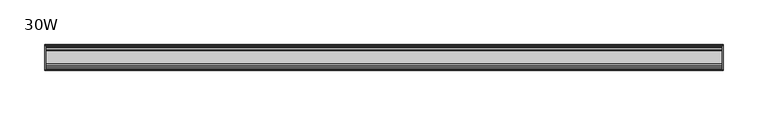
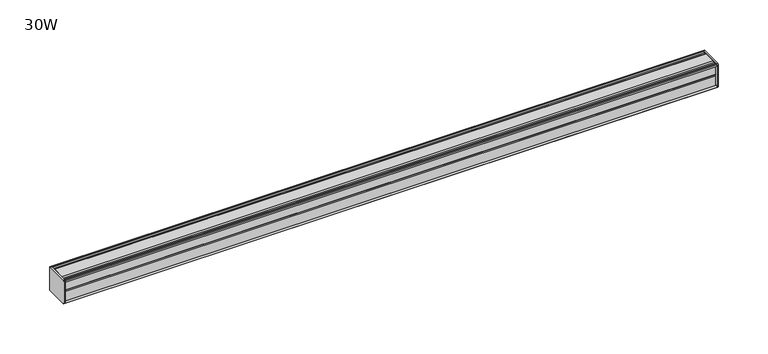
"""IFC4 building model written with IfcOpenShell, lengths in millimetres: furniture geometry, 30W."""

from ifc_helpers import new_model, si_unit, frame, origin, place, context, project, spatial, circle_curve, source, transform, mapped, element, save
from ifc_brep_helpers import plane_surface, cylinder_surface, advanced_brep


def furniture_30w_9a12c229(model_context):
    return source(origin(), model_context, "Body", "AdvancedBrep", [
        advanced_brep(
        [(379.4125, 14.5851562, 1196.1436262), (379.4125, 14.5851562, 1169.9932877), (379.4125, 14.4138595, 1169.1873997), (379.4125, 13.8374434, 1168.6109837), (379.4125, 12.9019306, 1168.3603131), (379.4125, -13.4067434, 1168.3603131), (379.4125, -14.3040014, 1169.2575711), (379.4125, -14.5851563, 1170.0259798), (379.4125, -14.5851563, 1195.9443327), (379.4125, -14.3040014, 1196.7127414), (379.4125, -13.4464303, 1197.5703125), (379.4125, 13.0500437, 1197.5703125), (379.4125, 13.8374434, 1197.3593288), (379.4125, 14.4138595, 1196.7829128), (381.0, 14.6248431, 1195.9955131), (381.0, 14.4138595, 1196.7829128), (381.0, 13.8374434, 1197.3593288), (381.0, 13.0500437, 1197.5703125), (381.0, -13.4464303, 1197.5703125), (381.0, -14.3040014, 1196.7127414), (381.0, -14.5851563, 1195.9443327), (381.0, -14.5851563, 1170.0259798), (381.0, -14.3040014, 1169.2575711), (381.0, -13.4067434, 1168.3603131), (381.0, 12.9019306, 1168.3603131), (381.0, 13.8374434, 1168.6109837), (381.0, 14.4138595, 1169.1873997), (381.0, 14.5851562, 1169.9932877)],
        [
            (0, 1),
            (1, 2),
            (2, 3),
            (3, 4),
            (4, 5),
            (5, 6),
            (6, 7, circle_curve(frame((379.4125, -13.3945313, 1170.0259798), z_axis=(-1.0, 0.0, 0.0), x_axis=(0.0, 1.0, 0.0)), 1.190625)),
            (7, 8),
            (8, 9, circle_curve(frame((379.4125, -13.3945313, 1195.9443327), z_axis=(-1.0, 0.0, 0.0), x_axis=(0.0, 1.0, 0.0)), 1.190625)),
            (9, 10),
            (10, 11),
            (11, 12),
            (12, 13),
            (13, 0),
            (14, 15),
            (15, 16),
            (16, 17),
            (17, 18),
            (18, 19),
            (19, 20, circle_curve(frame((381.0, -13.3945313, 1195.9443327), z_axis=(1.0, 0.0, 0.0), x_axis=(0.0, 1.0, 0.0)), 1.190625)),
            (20, 21),
            (21, 22, circle_curve(frame((381.0, -13.3945313, 1170.0259798), z_axis=(1.0, 0.0, 0.0), x_axis=(0.0, 1.0, 0.0)), 1.190625)),
            (22, 23),
            (23, 24),
            (24, 25),
            (25, 26),
            (26, 27),
            (27, 14),
            (13, 15),
            (14, 0),
            (12, 16),
            (11, 17),
            (10, 18),
            (9, 19),
            (8, 20),
            (7, 21),
            (6, 22),
            (5, 23),
            (4, 24),
            (3, 25),
            (2, 26),
            (1, 27),
        ],
        [
            plane_surface(frame((379.4125, 14.5851562, 1169.9932877), z_axis=(-1.0, 0.0, 0.0), x_axis=(0.0, 0.0, -1.0))),
            plane_surface(frame((381.0, 14.5851562, 1169.9932877), z_axis=(1.0, 0.0, 0.0), x_axis=(0.0, 0.0, 1.0))),
            plane_surface(frame((379.4125, 14.4138595, 1196.7829128), z_axis=(0.0, 0.9659256560349851, 0.25881968049857335), x_axis=(1.0, 0.0, 0.0))),
            plane_surface(frame((379.4125, 13.8374434, 1197.3593288), z_axis=(0.0, 0.7071067811866345, 0.7071067811864606), x_axis=(1.0, 0.0, 0.0))),
            plane_surface(frame((379.4125, 13.0500437, 1197.5703125), z_axis=(0.0, 0.2588196804711877, 0.9659256560423232), x_axis=(1.0, 0.0, 0.0))),
            plane_surface(frame((379.4125, -13.4464303, 1197.5703125), z_axis=(0.0, 0.0, 1.0), x_axis=(1.0, 0.0, 0.0))),
            plane_surface(frame((379.4125, -14.3040014, 1196.7127414), z_axis=(0.0, -0.70710678117674, 0.7071067811963553), x_axis=(1.0, 0.0, 0.0))),
            cylinder_surface(frame((381.0, -13.3945313, 1195.9443327), z_axis=(-1.0, 0.0, 0.0), x_axis=(0.0, 1.0, 0.0)), 1.190625),
            plane_surface(frame((379.4125, -14.5851563, 1170.0259798), z_axis=(0.0, -1.0, 0.0), x_axis=(1.0, 0.0, 0.0))),
            cylinder_surface(frame((381.0, -13.3945313, 1170.0259798), z_axis=(-1.0, 0.0, 0.0), x_axis=(0.0, 1.0, 0.0)), 1.190625),
            plane_surface(frame((379.4125, -13.4067434, 1168.3603131), z_axis=(0.0, -0.7071067811917087, -0.7071067811813864), x_axis=(1.0, 0.0, 0.0))),
            plane_surface(frame((379.4125, 12.9019306, 1168.3603131), z_axis=(0.0, 0.0, -1.0), x_axis=(1.0, 0.0, 0.0))),
            plane_surface(frame((379.4125, 13.8374434, 1168.6109837), z_axis=(0.0, 0.2588196804985645, -0.9659256560349875), x_axis=(1.0, 0.0, 0.0))),
            plane_surface(frame((379.4125, 14.4138595, 1169.1873997), z_axis=(0.0, 0.7071067811865204, -0.7071067811865748), x_axis=(1.0, 0.0, 0.0))),
            plane_surface(frame((379.4125, 14.5851562, 1169.9932877), z_axis=(0.0, 0.9781476007310527, -0.207911690830711), x_axis=(1.0, 0.0, 0.0))),
            plane_surface(frame((379.4125, 14.5851562, 1196.1436262), z_axis=(0.0, 1.0, 0.0), x_axis=(1.0, 0.0, 0.0))),
        ],
        [
            (0, [[1, 2, 3, 4, 5, 6, 7, 8, 9, 10, 11, 12, 13, 14]]),
            (1, [[15, 16, 17, 18, 19, 20, 21, 22, 23, 24, 25, 26, 27, 28]]),
            (2, [[-14, 29, -15, 30]]),
            (3, [[-13, 31, -16, -29]]),
            (4, [[-12, 32, -17, -31]]),
            (5, [[-11, 33, -18, -32]]),
            (6, [[-10, 34, -19, -33]]),
            (7, [[-9, 35, -20, -34]]),
            (8, [[-8, 36, -21, -35]]),
            (9, [[-7, 37, -22, -36]]),
            (10, [[-6, 38, -23, -37]]),
            (11, [[-5, 39, -24, -38]]),
            (12, [[-4, 40, -25, -39]]),
            (13, [[-3, 41, -26, -40]]),
            (14, [[-2, 42, -27, -41]]),
            (15, [[-1, -30, -28, -42]]),
        ],
    ),
        advanced_brep(
        [(-379.4125, 14.6248431, 1195.9955131), (-379.4125, 14.4138595, 1196.7829128), (-379.4125, 13.8374434, 1197.3593288), (-379.4125, 13.0500437, 1197.5703125), (-379.4125, -13.4464303, 1197.5703125), (-379.4125, -14.3040014, 1196.7127414), (-379.4125, -14.5851563, 1195.9443327), (-379.4125, -14.5851563, 1170.0259798), (-379.4125, -14.3040014, 1169.2575711), (-379.4125, -13.4067434, 1168.3603131), (-379.4125, 12.9019306, 1168.3603131), (-379.4125, 13.8374434, 1168.6109837), (-379.4125, 14.4138595, 1169.1873997), (-379.4125, 14.5851562, 1169.9932877), (-381.0, 14.5851562, 1196.1436262), (-381.0, 14.5851562, 1169.9932877), (-381.0, 14.4138595, 1169.1873997), (-381.0, 13.8374434, 1168.6109837), (-381.0, 12.9019306, 1168.3603131), (-381.0, -13.4067434, 1168.3603131), (-381.0, -14.3040014, 1169.2575711), (-381.0, -14.5851563, 1170.0259798), (-381.0, -14.5851563, 1195.9443327), (-381.0, -14.3040014, 1196.7127414), (-381.0, -13.4464303, 1197.5703125), (-381.0, 13.0500437, 1197.5703125), (-381.0, 13.8374434, 1197.3593288), (-381.0, 14.4138595, 1196.7829128)],
        [
            (0, 1),
            (1, 2),
            (2, 3),
            (3, 4),
            (4, 5),
            (5, 6, circle_curve(frame((-379.4125, -13.3945313, 1195.9443327), z_axis=(1.0, 0.0, 0.0), x_axis=(0.0, 1.0, 0.0)), 1.190625)),
            (6, 7),
            (7, 8, circle_curve(frame((-379.4125, -13.3945313, 1170.0259798), z_axis=(1.0, 0.0, 0.0), x_axis=(0.0, 1.0, 0.0)), 1.190625)),
            (8, 9),
            (9, 10),
            (10, 11),
            (11, 12),
            (12, 13),
            (13, 0),
            (14, 15),
            (15, 16),
            (16, 17),
            (17, 18),
            (18, 19),
            (19, 20),
            (20, 21, circle_curve(frame((-381.0, -13.3945313, 1170.0259798), z_axis=(-1.0, 0.0, 0.0), x_axis=(0.0, 1.0, 0.0)), 1.190625)),
            (21, 22),
            (22, 23, circle_curve(frame((-381.0, -13.3945313, 1195.9443327), z_axis=(-1.0, 0.0, 0.0), x_axis=(0.0, 1.0, 0.0)), 1.190625)),
            (23, 24),
            (24, 25),
            (25, 26),
            (26, 27),
            (27, 14),
            (0, 14),
            (27, 1),
            (26, 2),
            (25, 3),
            (24, 4),
            (23, 5),
            (22, 6),
            (21, 7),
            (20, 8),
            (19, 9),
            (18, 10),
            (17, 11),
            (16, 12),
            (15, 13),
        ],
        [
            plane_surface(frame((-379.4125, 14.6248431, 1195.9955131), z_axis=(1.0000000000000002, 0.0, 0.0), x_axis=(0.0, -0.25881968043900594, 0.9659256560509463))),
            plane_surface(frame((-381.0, 14.6248431, 1195.9955131), z_axis=(-1.0000000000000002, 0.0, 0.0), x_axis=(0.0, 0.25881968043900594, -0.9659256560509463))),
            plane_surface(frame((-379.4125, 14.6248431, 1195.9955131), z_axis=(0.0, 0.9659256560509463, 0.25881968043900594), x_axis=(-1.0, 0.0, 0.0))),
            plane_surface(frame((-379.4125, 14.4138595, 1196.7829128), z_axis=(0.0, 0.7071067810675442, 0.7071067813055509), x_axis=(-1.0, 0.0, 0.0))),
            plane_surface(frame((-379.4125, 13.8374434, 1197.3593288), z_axis=(0.0, 0.2588196804841774, 0.9659256560388426), x_axis=(-1.0, 0.0, 0.0))),
            plane_surface(frame((-379.4125, 13.0500437, 1197.5703125), z_axis=(0.0, 0.0, 1.0), x_axis=(-1.0, 0.0, 0.0))),
            plane_surface(frame((-379.4125, -13.4464303, 1197.5703125), z_axis=(0.0, -0.7071067811883018, 0.7071067811847932), x_axis=(-1.0, 0.0, 0.0))),
            cylinder_surface(frame((-381.0, -13.3945313, 1195.9443327), z_axis=(1.0, 0.0, 0.0), x_axis=(0.0, 1.0, 0.0)), 1.190625),
            plane_surface(frame((-379.4125, -14.5851563, 1195.9443327), z_axis=(0.0, -1.0, 0.0), x_axis=(-1.0, 0.0, 0.0))),
            cylinder_surface(frame((-381.0, -13.3945313, 1170.0259798), z_axis=(1.0, 0.0, 0.0), x_axis=(0.0, 1.0, 0.0)), 1.190625),
            plane_surface(frame((-379.4125, -14.3040014, 1169.2575711), z_axis=(0.0, -0.7071067811864808, -0.7071067811866142), x_axis=(-1.0, 0.0, 0.0))),
            plane_surface(frame((-379.4125, -13.4067434, 1168.3603131), z_axis=(0.0, 0.0, -1.0), x_axis=(-1.0, 0.0, 0.0))),
            plane_surface(frame((-379.4125, 12.9019306, 1168.3603131), z_axis=(0.0, 0.25881968049856513, -0.9659256560349874), x_axis=(-1.0, 0.0, 0.0))),
            plane_surface(frame((-379.4125, 13.8374434, 1168.6109837), z_axis=(0.0, 0.707106781186519, -0.7071067811865761), x_axis=(-1.0, 0.0, 0.0))),
            plane_surface(frame((-379.4125, 14.4138595, 1169.1873997), z_axis=(0.0, 0.9781476007314348, -0.20791169082891317), x_axis=(-1.0, 0.0, 0.0))),
            plane_surface(frame((-379.4125, 14.5851562, 1169.9932877), z_axis=(0.0, 1.0, 0.0), x_axis=(-1.0, 0.0, 0.0))),
        ],
        [
            (0, [[1, 2, 3, 4, 5, 6, 7, 8, 9, 10, 11, 12, 13, 14]]),
            (1, [[15, 16, 17, 18, 19, 20, 21, 22, 23, 24, 25, 26, 27, 28]]),
            (2, [[-1, 29, -28, 30]]),
            (3, [[-2, -30, -27, 31]]),
            (4, [[-3, -31, -26, 32]]),
            (5, [[-4, -32, -25, 33]]),
            (6, [[-5, -33, -24, 34]]),
            (7, [[-6, -34, -23, 35]]),
            (8, [[-7, -35, -22, 36]]),
            (9, [[-8, -36, -21, 37]]),
            (10, [[-9, -37, -20, 38]]),
            (11, [[-10, -38, -19, 39]]),
            (12, [[-11, -39, -18, 40]]),
            (13, [[-12, -40, -17, 41]]),
            (14, [[-13, -41, -16, 42]]),
            (15, [[-14, -42, -15, -29]]),
        ],
    ),
        advanced_brep(
        [(379.4125, -7.3748315, 1197.5703125), (379.4125, -8.9105708, 1196.5395796), (379.4125, -10.7601399, 1196.5395796), (379.4125, -12.2958792, 1197.5703125), (379.4125, -13.4464303, 1197.5703125), (379.4125, -14.3040014, 1196.7127414), (379.4125, -13.3945313, 1194.7537077), (379.4125, -13.3945313, 1195.665312), (379.4125, -12.2039063, 1195.665312), (379.4125, -12.2039063, 1183.7590632), (379.4125, -11.4101564, 1182.9653134), (379.4125, -12.2039063, 1182.1715636), (379.4125, -12.2039063, 1170.2653131), (379.4125, -13.3945313, 1170.2653131), (379.4125, -13.3945313, 1171.2166048), (379.4125, -14.3040014, 1169.2575711), (379.4125, -13.4067434, 1168.3603131), (379.4125, -12.2958792, 1168.3603131), (379.4125, -10.7601399, 1169.3910471), (379.4125, -8.9105708, 1169.3910471), (379.4125, -7.4339628, 1168.4), (379.4125, 7.4145184, 1168.4), (379.4125, 8.9502576, 1169.4307329), (379.4125, 10.7998291, 1169.4307329), (379.4125, 12.2275037, 1168.4), (379.4125, 13.0500437, 1168.4), (379.4125, 13.8374434, 1168.6109837), (379.4125, 14.4138595, 1169.1873997), (379.4125, 14.5851562, 1169.9932877), (379.4125, 14.5851562, 1196.1436262), (379.4125, 14.4138595, 1196.7829128), (379.4125, 13.8374434, 1197.3593288), (379.4125, 13.0500437, 1197.5703125), (379.4125, 12.2275037, 1197.5703125), (379.4125, 10.7998291, 1196.5395796), (379.4125, 8.9502576, 1196.5395796), (379.4125, 7.4145184, 1197.5703125), (-379.4125, -7.3748315, 1197.5703125), (-379.4125, 7.4145184, 1197.5703125), (-379.4125, 8.9502576, 1196.5395796), (-379.4125, 10.7998291, 1196.5395796), (-379.4125, 12.2275037, 1197.5703125), (-379.4125, 13.0500437, 1197.5703125), (-379.4125, 13.8374434, 1197.3593288), (-379.4125, 14.4138595, 1196.7829128), (-379.4125, 14.6248431, 1195.9955131), (-379.4125, 14.5851562, 1169.9932877), (-379.4125, 14.4138595, 1169.1873997), (-379.4125, 13.8374434, 1168.6109837), (-379.4125, 13.0500437, 1168.4), (-379.4125, 12.2275037, 1168.4), (-379.4125, 10.7998291, 1169.4307329), (-379.4125, 8.9502576, 1169.4307329), (-379.4125, 7.4145184, 1168.4), (-379.4125, -7.4339628, 1168.4), (-379.4125, -8.9105708, 1169.3910471), (-379.4125, -10.7601399, 1169.3910471), (-379.4125, -12.2958792, 1168.3603131), (-379.4125, -13.4067434, 1168.3603131), (-379.4125, -14.3040014, 1169.2575711), (-379.4125, -13.3945313, 1171.2166048), (-379.4125, -13.3945313, 1170.2653131), (-379.4125, -12.2039063, 1170.2653131), (-379.4125, -12.2039063, 1182.1715636), (-379.4125, -11.4101564, 1182.9653134), (-379.4125, -12.2039063, 1183.7590632), (-379.4125, -12.2039063, 1195.665312), (-379.4125, -13.3945313, 1195.665312), (-379.4125, -13.3945313, 1194.7537077), (-379.4125, -14.3040014, 1196.7127414), (-379.4125, -13.4464303, 1197.5703125), (-379.4125, -12.2958792, 1197.5703125), (-379.4125, -10.7601399, 1196.5395796), (-379.4125, -8.9105708, 1196.5395796)],
        [
            (0, 1),
            (1, 2),
            (2, 3),
            (3, 4),
            (4, 5),
            (5, 6, circle_curve(frame((379.4125, -13.3945313, 1195.9443327), z_axis=(1.0, 0.0, 0.0), x_axis=(0.0, 1.0, 0.0)), 1.190625)),
            (6, 7),
            (7, 8),
            (8, 9),
            (9, 10),
            (10, 11),
            (11, 12),
            (12, 13),
            (13, 14),
            (14, 15, circle_curve(frame((379.4125, -13.3945313, 1170.0259798), z_axis=(1.0, 0.0, 0.0), x_axis=(0.0, 1.0, 0.0)), 1.190625)),
            (15, 16),
            (16, 17),
            (17, 18),
            (18, 19),
            (19, 20),
            (20, 21),
            (21, 22),
            (22, 23),
            (23, 24),
            (24, 25),
            (25, 26),
            (26, 27),
            (27, 28),
            (28, 29),
            (29, 30),
            (30, 31),
            (31, 32),
            (32, 33),
            (33, 34),
            (34, 35),
            (35, 36),
            (36, 0),
            (37, 38),
            (38, 39),
            (39, 40),
            (40, 41),
            (41, 42),
            (42, 43),
            (43, 44),
            (44, 45),
            (45, 46),
            (46, 47),
            (47, 48),
            (48, 49),
            (49, 50),
            (50, 51),
            (51, 52),
            (52, 53),
            (53, 54),
            (54, 55),
            (55, 56),
            (56, 57),
            (57, 58),
            (58, 59),
            (59, 60, circle_curve(frame((-379.4125, -13.3945313, 1170.0259798), z_axis=(-1.0, 0.0, 0.0), x_axis=(0.0, 1.0, 0.0)), 1.190625)),
            (60, 61),
            (61, 62),
            (62, 63),
            (63, 64),
            (64, 65),
            (65, 66),
            (66, 67),
            (67, 68),
            (68, 69, circle_curve(frame((-379.4125, -13.3945313, 1195.9443327), z_axis=(-1.0, 0.0, 0.0), x_axis=(0.0, 1.0, 0.0)), 1.190625)),
            (69, 70),
            (70, 71),
            (71, 72),
            (72, 73),
            (73, 37),
            (0, 37),
            (73, 1),
            (72, 2),
            (71, 3),
            (70, 4),
            (69, 5),
            (68, 6),
            (67, 7),
            (66, 8),
            (65, 9),
            (64, 10),
            (63, 11),
            (62, 12),
            (61, 13),
            (60, 14),
            (59, 15),
            (58, 16),
            (57, 17),
            (56, 18),
            (55, 19),
            (54, 20),
            (53, 21),
            (52, 22),
            (51, 23),
            (50, 24),
            (49, 25),
            (48, 26),
            (47, 27),
            (46, 28),
            (45, 29),
            (44, 30),
            (43, 31),
            (42, 32),
            (41, 33),
            (40, 34),
            (39, 35),
            (38, 36),
        ],
        [
            plane_surface(frame((379.4125, -7.3748315, 1197.5703125), z_axis=(1.0, 0.0, 0.0), x_axis=(0.0, -0.8303227972603312, -0.5572827400429506))),
            plane_surface(frame((-379.4125, -7.3748315, 1197.5703125), z_axis=(-1.0, 0.0, 0.0), x_axis=(0.0, 0.8303227972603312, 0.5572827400429506))),
            plane_surface(frame((379.4125, -7.3748315, 1197.5703125), z_axis=(0.0, -0.5572827400429506, 0.8303227972603312), x_axis=(-1.0, 0.0, 0.0))),
            plane_surface(frame((379.4125, -8.9105708, 1196.5395796), z_axis=(0.0, 0.0, 1.0), x_axis=(-1.0, 0.0, 0.0))),
            plane_surface(frame((379.4125, -10.7601399, 1196.5395796), z_axis=(0.0, 0.557282740042951, 0.8303227972603311), x_axis=(-1.0, 0.0, 0.0))),
            plane_surface(frame((379.4125, -12.2958792, 1197.5703125), z_axis=(0.0, 0.0, 1.0), x_axis=(-1.0, 0.0, 0.0))),
            plane_surface(frame((379.4125, -13.4464303, 1197.5703125), z_axis=(0.0, -0.7071067811813211, 0.707106781191774), x_axis=(-1.0, 0.0, 0.0))),
            cylinder_surface(frame((-379.4125, -13.3945313, 1195.9443327), z_axis=(1.0, 0.0, 0.0), x_axis=(0.0, 1.0, 0.0)), 1.190625),
            plane_surface(frame((379.4125, -13.3945313, 1194.7537077), z_axis=(0.0, 1.0, 0.0), x_axis=(-1.0, 0.0, 0.0))),
            plane_surface(frame((379.4125, -13.3945313, 1195.665312), z_axis=(0.0, 0.0, -1.0), x_axis=(-1.0, 0.0, 0.0))),
            plane_surface(frame((379.4125, -12.2039063, 1195.665312), z_axis=(0.0, -1.0, 0.0), x_axis=(-1.0, 0.0, 0.0))),
            plane_surface(frame((379.4125, -12.2039063, 1183.7590632), z_axis=(0.0, -0.7071067811865146, -0.7071067811865805), x_axis=(-1.0, 0.0, 0.0))),
            plane_surface(frame((379.4125, -11.4101564, 1182.9653134), z_axis=(0.0, -0.7071067811865522, 0.7071067811865428), x_axis=(-1.0, 0.0, 0.0))),
            plane_surface(frame((379.4125, -12.2039063, 1182.1715636), z_axis=(0.0, -1.0, 0.0), x_axis=(-1.0, 0.0, 0.0))),
            plane_surface(frame((379.4125, -12.2039063, 1170.2653131), z_axis=(0.0, 0.0, 1.0), x_axis=(-1.0, 0.0, 0.0))),
            plane_surface(frame((379.4125, -13.3945313, 1170.2653131), z_axis=(0.0, 1.0, 0.0), x_axis=(-1.0, 0.0, 0.0))),
            cylinder_surface(frame((-379.4125, -13.3945313, 1170.0259798), z_axis=(1.0, 0.0, 0.0), x_axis=(0.0, 1.0, 0.0)), 1.190625),
            plane_surface(frame((379.4125, -14.3040014, 1169.2575711), z_axis=(0.0, -0.7071067811865901, -0.707106781186505), x_axis=(-1.0, 0.0, 0.0))),
            plane_surface(frame((379.4125, -13.4067434, 1168.3603131), z_axis=(0.0, 0.0, -1.0), x_axis=(-1.0, 0.0, 0.0))),
            plane_surface(frame((379.4125, -12.2958792, 1168.3603131), z_axis=(0.0, 0.5572831632988446, -0.8303225131860712), x_axis=(-1.0, 0.0, 0.0))),
            plane_surface(frame((379.4125, -10.7601399, 1169.3910471), z_axis=(0.0, 0.0, -1.0), x_axis=(-1.0, 0.0, 0.0))),
            plane_surface(frame((379.4125, -8.9105708, 1169.3910471), z_axis=(0.0, -0.5572831633036728, -0.8303225131828307), x_axis=(-1.0, 0.0, 0.0))),
            plane_surface(frame((379.4125, -7.4339628, 1168.4), z_axis=(0.0, 0.0, -1.0), x_axis=(-1.0, 0.0, 0.0))),
            plane_surface(frame((379.4125, 7.4145184, 1168.4), z_axis=(0.0, 0.5572827400522353, -0.8303227972540997), x_axis=(-1.0, 0.0, 0.0))),
            plane_surface(frame((379.4125, 8.9502576, 1169.4307329), z_axis=(0.0, 0.0, -1.0), x_axis=(-1.0, 0.0, 0.0))),
            plane_surface(frame((379.4125, 10.7998291, 1169.4307329), z_axis=(0.0, -0.5853541342124147, -0.8107777362264177), x_axis=(-1.0, 0.0, 0.0))),
            plane_surface(frame((379.4125, 12.2275037, 1168.4), z_axis=(0.0, 0.0, -1.0), x_axis=(-1.0, 0.0, 0.0))),
            plane_surface(frame((379.4125, 13.0500437, 1168.4), z_axis=(0.0, 0.2588196804985639, -0.9659256560349877), x_axis=(-1.0, 0.0, 0.0))),
            plane_surface(frame((379.4125, 13.8374434, 1168.6109837), z_axis=(0.0, 0.7071067811865592, -0.7071067811865358), x_axis=(-1.0, 0.0, 0.0))),
            plane_surface(frame((379.4125, 14.4138595, 1169.1873997), z_axis=(0.0, 0.9781476007314349, -0.20791169082891267), x_axis=(-1.0, 0.0, 0.0))),
            plane_surface(frame((379.4125, 14.5851562, 1169.9932877), z_axis=(0.0, 1.0, 0.0), x_axis=(-1.0, 0.0, 0.0))),
            plane_surface(frame((379.4125, 14.6248431, 1195.9955131), z_axis=(0.0, 0.9659256560510352, 0.2588196804386741), x_axis=(-1.0, 0.0, 0.0))),
            plane_surface(frame((379.4125, 14.4138595, 1196.7829128), z_axis=(0.0, 0.7071067810667437, 0.7071067813063513), x_axis=(-1.0, 0.0, 0.0))),
            plane_surface(frame((379.4125, 13.8374434, 1197.3593288), z_axis=(0.0, 0.2588196804843108, 0.9659256560388069), x_axis=(-1.0, 0.0, 0.0))),
            plane_surface(frame((379.4125, 13.0500437, 1197.5703125), z_axis=(0.0, 0.0, 1.0), x_axis=(-1.0, 0.0, 0.0))),
            plane_surface(frame((379.4125, 12.2275037, 1197.5703125), z_axis=(0.0, -0.5853541342077658, 0.810777736229774), x_axis=(-1.0, 0.0, 0.0))),
            plane_surface(frame((379.4125, 10.7998291, 1196.5395796), z_axis=(0.0, 0.0, 1.0), x_axis=(-1.0, 0.0, 0.0))),
            plane_surface(frame((379.4125, 8.9502576, 1196.5395796), z_axis=(0.0, 0.557282740042951, 0.8303227972603311), x_axis=(-1.0, 0.0, 0.0))),
            plane_surface(frame((379.4125, 7.4145184, 1197.5703125), z_axis=(0.0, 0.0, 1.0), x_axis=(-1.0, 0.0, 0.0))),
        ],
        [
            (0, [[1, 2, 3, 4, 5, 6, 7, 8, 9, 10, 11, 12, 13, 14, 15, 16, 17, 18, 19, 20, 21, 22, 23, 24, 25, 26, 27, 28, 29, 30, 31, 32, 33, 34, 35, 36, 37]]),
            (1, [[38, 39, 40, 41, 42, 43, 44, 45, 46, 47, 48, 49, 50, 51, 52, 53, 54, 55, 56, 57, 58, 59, 60, 61, 62, 63, 64, 65, 66, 67, 68, 69, 70, 71, 72, 73, 74]]),
            (2, [[-1, 75, -74, 76]]),
            (3, [[-2, -76, -73, 77]]),
            (4, [[-3, -77, -72, 78]]),
            (5, [[-4, -78, -71, 79]]),
            (6, [[-5, -79, -70, 80]]),
            (7, [[-6, -80, -69, 81]]),
            (8, [[-7, -81, -68, 82]]),
            (9, [[-8, -82, -67, 83]]),
            (10, [[-9, -83, -66, 84]]),
            (11, [[-10, -84, -65, 85]]),
            (12, [[-11, -85, -64, 86]]),
            (13, [[-12, -86, -63, 87]]),
            (14, [[-13, -87, -62, 88]]),
            (15, [[-14, -88, -61, 89]]),
            (16, [[-15, -89, -60, 90]]),
            (17, [[-16, -90, -59, 91]]),
            (18, [[-17, -91, -58, 92]]),
            (19, [[-18, -92, -57, 93]]),
            (20, [[-19, -93, -56, 94]]),
            (21, [[-20, -94, -55, 95]]),
            (22, [[-21, -95, -54, 96]]),
            (23, [[-22, -96, -53, 97]]),
            (24, [[-23, -97, -52, 98]]),
            (25, [[-24, -98, -51, 99]]),
            (26, [[-25, -99, -50, 100]]),
            (27, [[-26, -100, -49, 101]]),
            (28, [[-27, -101, -48, 102]]),
            (29, [[-28, -102, -47, 103]]),
            (30, [[-29, -103, -46, 104]]),
            (31, [[-30, -104, -45, 105]]),
            (32, [[-31, -105, -44, 106]]),
            (33, [[-32, -106, -43, 107]]),
            (34, [[-33, -107, -42, 108]]),
            (35, [[-34, -108, -41, 109]]),
            (36, [[-35, -109, -40, 110]]),
            (37, [[-36, -110, -39, 111]]),
            (38, [[-37, -111, -38, -75]]),
        ],
    ),
    ])


if __name__ == "__main__":
    model = new_model("IFC4")
    model_context = context("Model", 3, world=origin())
    ifc_project = project(units=[si_unit("LENGTHUNIT", "METRE", prefix="MILLI")], contexts=[model_context])
    site = spatial("IfcSite", under=ifc_project)
    building = spatial("IfcBuilding", under=site)
    placement = place(None, origin())
    furniture_30w_shape = furniture_30w_9a12c229(model_context)
    element("IfcFurniture", 1, ObjectType="30W", at=placement, inside=building, context=model_context, shape_type="MappedRepresentation", body=[
        mapped(furniture_30w_shape, transform((0.0, 0.0, 0.0), x_axis=(1.0, 0.0, 0.0), y_axis=(0.0, 1.0, 0.0), z_axis=(0.0, 0.0, 1.0))),
    ])
    save(model, "model.ifc")
